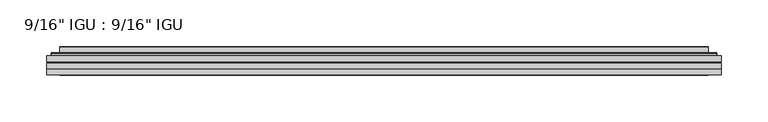
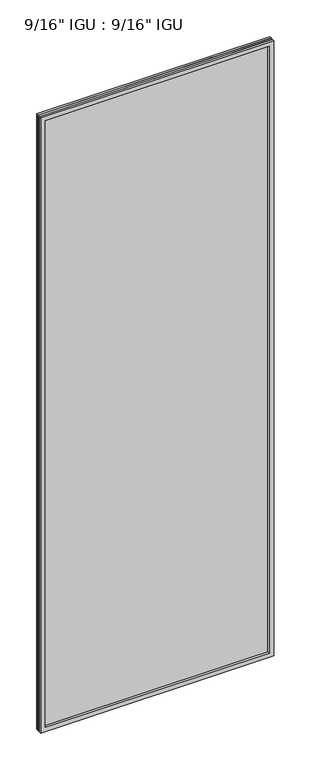
"""IFC4 building model written with IfcOpenShell, lengths in millimetres: plate geometry."""

from ifc_helpers import new_model, si_unit, frame, origin, place, context, project, spatial, polyline, ellipse_curve, outline, extrude, faceted_brep, source, transform, mapped, element, save
from ifc_brep_helpers import plane_surface, cylinder_surface, advanced_brep


def plate_f18eeea5(model_context):
    return source(origin(), model_context, "Body", "SolidModel", [
        extrude(outline(polyline([(362.3500804, -54.78145), (362.3500804, -61.1317818), (-362.3359055, -61.1317818), (-362.3359055, -54.78145), (362.3500804, -54.78145)])), frame((0.0, 0.0, -14.2875), z_axis=(0.0, 0.0, 1.0), x_axis=(1.0, 0.0, 0.0)), (0.0, 0.0, 1.0), 2022.4787979),
        extrude(outline(polyline([(-362.3359055, -69.05625), (-362.3359055, -62.705745), (362.3500804, -62.705745), (362.3500804, -69.05625), (-362.3359055, -69.05625)])), frame((0.0, 0.0, -14.2875), z_axis=(0.0, 0.0, 1.0), x_axis=(1.0, 0.0, 0.0)), (0.0, 0.0, 1.0), 2022.4787979),
        faceted_brep([(-362.3486055, -75.40625, 2008.2002), (-362.3486055, -69.05625, 2008.2002), (-362.3486055, -69.05625, -14.3002), (-362.3486055, -75.40625, -14.3002), (362.3486055, -69.05625, -14.3002), (362.3486055, -75.40625, -14.3002), (362.3486055, -69.05625, 2008.2002), (362.3486055, -75.40625, 2008.2002), (-347.1506613, -69.05625, 0.8977441), (347.1506613, -69.05625, 0.8977441), (347.1506613, -69.05625, 1993.0022559), (-347.1506613, -69.05625, 1993.0022559), (-348.0430956, -75.40625, 1993.8946902), (348.0430956, -75.40625, 1993.8946902), (348.0430956, -75.40625, 0.0053098), (-348.0430956, -75.40625, 0.0053098)], [[[0, 1, 2, 3]], [[3, 2, 4, 5]], [[5, 4, 6, 7]], [[1, 6, 4, 2], [8, 9, 10, 11]], [[7, 6, 1, 0]], [[3, 5, 7, 0], [12, 13, 14, 15]], [[11, 12, 15, 8]], [[8, 15, 14, 9]], [[9, 14, 13, 10]], [[10, 13, 12, 11]]]),
        advanced_brep(
        [(-355.0946245, -54.78145, 2000.946219), (-357.4488299, -52.7917833, 2003.3004244), (-357.4488299, -52.7917833, -9.4004244), (-355.0946245, -54.78145, -7.046219), (-346.0202994, -50.941413, 1991.8718939), (-341.0854675, -54.78145, 1986.9370621), (-341.0854675, -54.78145, 6.9629379), (-346.0202994, -50.941413, 2.0281061), (-347.0523271, -45.5441819, 1992.9039217), (-347.0523271, -45.5441819, 0.9960783), (-348.0429839, -45.1452069, 1993.8945784), (-348.0429839, -45.1452069, 0.0054216), (-348.0429839, -51.60645, 1993.8945784), (-348.0429839, -51.60645, 0.0054216), (-356.4470404, -51.60645, 2002.2986349), (-356.4470404, -51.60645, -8.3986349), (357.4488299, -52.7917833, -9.4004244), (355.0946245, -54.78145, -7.046219), (341.0854675, -54.78145, 6.9629379), (346.0202994, -50.941413, 2.0281061), (347.0523271, -45.5441819, 0.9960783), (348.0429839, -45.1452069, 0.0054216), (348.0429839, -51.60645, 0.0054216), (356.4470404, -51.60645, -8.3986349), (357.4488299, -52.7917833, 2003.3004244), (355.0946245, -54.78145, 2000.946219), (341.0854675, -54.78145, 1986.9370621), (346.0202994, -50.941413, 1991.8718939), (347.0523271, -45.5441819, 1992.9039217), (348.0429839, -45.1452069, 1993.8945784), (348.0429839, -51.60645, 1993.8945784), (356.4470404, -51.60645, 2002.2986349)],
        [
            (0, 1, ellipse_curve(frame((-355.0946245, -52.39385, 2000.946219), z_axis=(-0.7071067811865475, 0.0, -0.7071067811865475), x_axis=(-0.7071067811865474, 0.0, 0.7071067811865476)), 3.3765763, 2.3876)),
            (1, 2),
            (2, 3, ellipse_curve(frame((-355.0946245, -52.39385, -7.046219), z_axis=(-0.7071067811865475, 0.0, 0.7071067811865475), x_axis=(0.7071067811865474, 0.0, 0.7071067811865476)), 3.3765763, 2.3876)),
            (3, 0),
            (4, 5),
            (5, 6),
            (6, 7),
            (7, 4),
            (8, 4),
            (7, 9),
            (9, 8),
            (10, 8, ellipse_curve(frame((-347.6760273, -45.6634423, 1993.5276219), z_axis=(-0.7071067811865475, 0.0, -0.7071067811865475), x_axis=(-0.7071067811865474, 0.0, 0.7071067811865476)), 0.8980256, 0.635)),
            (9, 11, ellipse_curve(frame((-347.6760273, -45.6634423, 0.3723781), z_axis=(-0.7071067811865475, 0.0, 0.7071067811865475), x_axis=(0.7071067811865474, 0.0, 0.7071067811865476)), 0.8980256, 0.635)),
            (11, 10),
            (12, 10),
            (11, 13),
            (13, 12),
            (1, 14, ellipse_curve(frame((-356.4470404, -52.62245, 2002.2986349), z_axis=(-0.7071067811865475, 0.0, -0.7071067811865475), x_axis=(-0.7071067811865474, 0.0, 0.7071067811865476)), 1.436841, 1.016)),
            (14, 15),
            (15, 2, ellipse_curve(frame((-356.4470404, -52.62245, -8.3986349), z_axis=(-0.7071067811865475, 0.0, 0.7071067811865475), x_axis=(0.7071067811865474, 0.0, 0.7071067811865476)), 1.436841, 1.016)),
            (2, 16),
            (16, 17, ellipse_curve(frame((355.0946245, -52.39385, -7.046219), z_axis=(-0.7071067811865475, 0.0, -0.7071067811865475), x_axis=(-0.7071067811865476, 0.0, 0.7071067811865474)), 3.3765763, 2.3876)),
            (17, 3),
            (6, 18),
            (18, 19),
            (19, 7),
            (19, 20),
            (20, 9),
            (20, 21, ellipse_curve(frame((347.6760273, -45.6634423, 0.3723781), z_axis=(-0.7071067811865475, 0.0, -0.7071067811865475), x_axis=(-0.7071067811865476, 0.0, 0.7071067811865474)), 0.8980256, 0.635)),
            (21, 11),
            (21, 22),
            (22, 13),
            (15, 23),
            (23, 16, ellipse_curve(frame((356.4470404, -52.62245, -8.3986349), z_axis=(-0.7071067811865475, 0.0, -0.7071067811865475), x_axis=(-0.7071067811865476, 0.0, 0.7071067811865474)), 1.436841, 1.016)),
            (16, 24),
            (24, 25, ellipse_curve(frame((355.0946245, -52.39385, 2000.946219), z_axis=(0.7071067811865475, 0.0, -0.7071067811865475), x_axis=(-0.7071067811865474, 0.0, -0.7071067811865476)), 3.3765763, 2.3876)),
            (25, 17),
            (18, 26),
            (26, 27),
            (27, 19),
            (27, 28),
            (28, 20),
            (28, 29, ellipse_curve(frame((347.6760273, -45.6634423, 1993.5276219), z_axis=(0.7071067811865475, 0.0, -0.7071067811865475), x_axis=(-0.7071067811865474, 0.0, -0.7071067811865476)), 0.8980256, 0.635)),
            (29, 21),
            (29, 30),
            (30, 22),
            (23, 31),
            (31, 24, ellipse_curve(frame((356.4470404, -52.62245, 2002.2986349), z_axis=(0.7071067811865475, 0.0, -0.7071067811865475), x_axis=(-0.7071067811865474, 0.0, -0.7071067811865476)), 1.436841, 1.016)),
            (24, 1),
            (0, 25),
            (5, 26),
            (4, 27),
            (8, 28),
            (10, 29),
            (12, 30),
            (14, 31),
        ],
        [
            cylinder_surface(frame((-355.0946245, -52.39385, 2025.65), z_axis=(0.0, 0.0, 1.0), x_axis=(-1.0, 0.0, 0.0)), 2.3876),
            plane_surface(frame((-341.0854675, -54.78145, 1986.9370621), z_axis=(0.6141233906514794, 0.7892100234124821, 0.0), x_axis=(0.0, 0.0, -1.0))),
            plane_surface(frame((-346.0202994, -50.941413, 1991.8718939), z_axis=(0.9822050625507728, 0.18781164793386088, 0.0), x_axis=(0.0, 0.0, -1.0))),
            cylinder_surface(frame((-347.6760273, -45.6634423, 2025.65), z_axis=(0.0, 0.0, 1.0), x_axis=(-1.0, 0.0, 0.0)), 0.635),
            plane_surface(frame((-348.0429839, -45.1452069, 1993.8945784), z_axis=(-1.0, 0.0, 0.0), x_axis=(0.0, 0.0, -1.0))),
            cylinder_surface(frame((-356.4470404, -52.62245, 2025.65), z_axis=(0.0, 0.0, 1.0), x_axis=(-1.0, 0.0, 0.0)), 1.016),
            cylinder_surface(frame((-379.7984055, -52.39385, -7.046219), z_axis=(-1.0, 0.0, 0.0), x_axis=(0.0, 0.0, -1.0)), 2.3876),
            plane_surface(frame((-341.0854675, -54.78145, 6.9629379), z_axis=(0.0, 0.7892100234124841, 0.6141233906514768), x_axis=(1.0, 0.0, 0.0))),
            plane_surface(frame((-346.0202994, -50.941413, 2.0281061), z_axis=(0.0, 0.18781164793386404, 0.9822050625507722), x_axis=(1.0, 0.0, 0.0))),
            cylinder_surface(frame((-379.7984055, -45.6634423, 0.3723781), z_axis=(-1.0, 0.0, 0.0), x_axis=(0.0, 0.0, -1.0)), 0.635),
            plane_surface(frame((-348.0429839, -45.1452069, 0.0054216), z_axis=(0.0, 0.0, -1.0), x_axis=(1.0, 0.0, 0.0))),
            cylinder_surface(frame((-379.7984055, -52.62245, -8.3986349), z_axis=(-1.0, 0.0, 0.0), x_axis=(0.0, 0.0, -1.0)), 1.016),
            cylinder_surface(frame((355.0946245, -52.39385, -31.75), z_axis=(0.0, 0.0, -1.0), x_axis=(1.0, 0.0, 0.0)), 2.3876),
            plane_surface(frame((341.0854675, -54.78145, 6.9629379), z_axis=(-0.6141233906514743, 0.7892100234124861, 0.0), x_axis=(0.0, 0.0, 1.0))),
            plane_surface(frame((346.0202994, -50.941413, 2.0281061), z_axis=(-0.9822050625507717, 0.1878116479338672, 0.0), x_axis=(0.0, 0.0, 1.0))),
            cylinder_surface(frame((347.6760273, -45.6634423, -31.75), z_axis=(0.0, 0.0, -1.0), x_axis=(1.0, 0.0, 0.0)), 0.635),
            plane_surface(frame((348.0429839, -45.1452069, 0.0054216), z_axis=(1.0, 0.0, 0.0), x_axis=(0.0, 0.0, 1.0))),
            cylinder_surface(frame((356.4470404, -52.62245, -31.75), z_axis=(0.0, 0.0, -1.0), x_axis=(1.0, 0.0, 0.0)), 1.016),
            cylinder_surface(frame((379.7984055, -52.39385, 2000.946219), z_axis=(1.0, 0.0, 0.0), x_axis=(0.0, 0.0, 1.0)), 2.3876),
            plane_surface(frame((355.0946245, -54.78145, 2000.946219), z_axis=(0.0, -1.0, 0.0), x_axis=(-1.0, 0.0, 0.0))),
            plane_surface(frame((341.0854675, -54.78145, 1986.9370621), z_axis=(0.0, 0.7892100234124841, -0.6141233906514768), x_axis=(-1.0, 0.0, 0.0))),
            plane_surface(frame((346.0202994, -50.941413, 1991.8718939), z_axis=(0.0, 0.18781164793386404, -0.9822050625507722), x_axis=(-1.0, 0.0, 0.0))),
            cylinder_surface(frame((379.7984055, -45.6634423, 1993.5276219), z_axis=(1.0, 0.0, 0.0), x_axis=(0.0, 0.0, 1.0)), 0.635),
            plane_surface(frame((348.0429839, -45.1452069, 1993.8945784), z_axis=(0.0, 0.0, 1.0), x_axis=(-1.0, 0.0, 0.0))),
            plane_surface(frame((348.0429839, -51.60645, 1993.8945784), z_axis=(0.0, 1.0, 0.0), x_axis=(-1.0, 0.0, 0.0))),
            cylinder_surface(frame((379.7984055, -52.62245, 2002.2986349), z_axis=(1.0, 0.0, 0.0), x_axis=(0.0, 0.0, 1.0)), 1.016),
        ],
        [
            (0, [[1, 2, 3, 4]]),
            (1, [[5, 6, 7, 8]]),
            (2, [[9, -8, 10, 11]]),
            (3, [[12, -11, 13, 14]]),
            (4, [[15, -14, 16, 17]]),
            (5, [[18, 19, 20, -2]]),
            (6, [[-3, 21, 22, 23]]),
            (7, [[-7, 24, 25, 26]]),
            (8, [[-10, -26, 27, 28]]),
            (9, [[-13, -28, 29, 30]]),
            (10, [[-16, -30, 31, 32]]),
            (11, [[-20, 33, 34, -21]]),
            (12, [[-22, 35, 36, 37]]),
            (13, [[-25, 38, 39, 40]]),
            (14, [[-27, -40, 41, 42]]),
            (15, [[-29, -42, 43, 44]]),
            (16, [[-31, -44, 45, 46]]),
            (17, [[-34, 47, 48, -35]]),
            (18, [[-36, 49, -1, 50]]),
            (19, [[-23, -37, -50, -4], [51, -38, -24, -6]]),
            (20, [[-39, -51, -5, 52]]),
            (21, [[-41, -52, -9, 53]]),
            (22, [[-43, -53, -12, 54]]),
            (23, [[-45, -54, -15, 55]]),
            (24, [[56, -47, -33, -19], [-32, -46, -55, -17]]),
            (25, [[-48, -56, -18, -49]]),
        ],
    ),
    ])


if __name__ == "__main__":
    model = new_model("IFC4")
    model_context = context("Model", 3, world=origin())
    ifc_project = project(units=[si_unit("LENGTHUNIT", "METRE", prefix="MILLI")], contexts=[model_context])
    site = spatial("IfcSite", under=ifc_project)
    building = spatial("IfcBuilding", under=site)
    placement = place(None, origin())
    plate_shape = plate_f18eeea5(model_context)
    element("IfcPlate", 1, ObjectType="9/16\" IGU : 9/16\" IGU", at=placement, inside=building, context=model_context, shape_type="MappedRepresentation", body=[
        mapped(plate_shape, transform((0.0, 0.0, 0.0), x_axis=(1.0, 0.0, 0.0), y_axis=(0.0, 1.0, 0.0), z_axis=(0.0, 0.0, 1.0))),
    ])
    save(model, "model.ifc")
